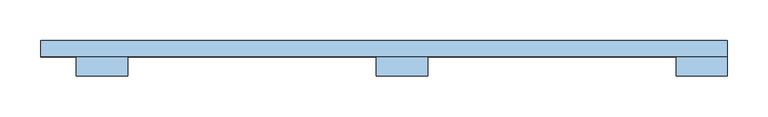
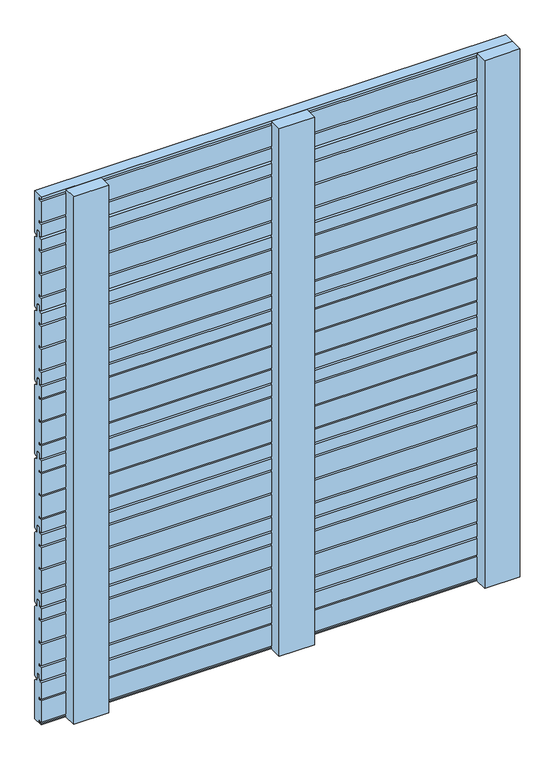
"""IFC4 building model written with IfcOpenShell, lengths in millimetres: window geometry."""

from ifc_helpers import new_model, si_unit, frame, origin, place, context, project, spatial, polyline, outline, extrude, source, transform, mapped, element, save


def window_770108d0(model_context):
    return source(origin(), model_context, "Body", "SweptSolid", [
        extrude(outline(polyline([(80.0, 183.0), (77.0, 180.0), (73.0, 180.0), (73.0, 192.0), (67.0, 192.0), (67.0, 184.0), (60.0, 184.0), (60.0, 208.25), (66.0, 208.25), (66.0, 211.75), (60.0, 211.75), (60.0, 251.8110702), (66.0, 251.8110702), (66.0, 255.3110702), (60.0, 255.3110702), (60.0, 295.3721403), (66.0, 295.3721403), (66.0, 298.8721403), (60.0, 298.8721403), (60.0, 320.0), (67.0, 320.0), (67.0, 330.0), (73.0, 330.0), (73.0, 316.0), (77.0, 316.0), (80.0, 313.0), (80.0, 183.0)])), frame((-444.0, 0.0, 0.0), z_axis=(1.0, 0.0, 0.0), x_axis=(0.0, 1.0, 0.0)), (0.0, 0.0, 1.0), 844.0),
        extrude(outline(polyline([(80.0, 323.0), (77.0, 320.0), (73.0, 320.0), (73.0, 332.0), (67.0, 332.0), (67.0, 324.0), (60.0, 324.0), (60.0, 348.25), (66.0, 348.25), (66.0, 351.75), (60.0, 351.75), (60.0, 391.8110702), (66.0, 391.8110702), (66.0, 395.3110702), (60.0, 395.3110702), (60.0, 435.3721403), (66.0, 435.3721403), (66.0, 438.8721403), (60.0, 438.8721403), (60.0, 460.0), (67.0, 460.0), (67.0, 470.0), (73.0, 470.0), (73.0, 456.0), (77.0, 456.0), (80.0, 453.0), (80.0, 323.0)])), frame((-444.0, 0.0, 0.0), z_axis=(1.0, 0.0, 0.0), x_axis=(0.0, 1.0, 0.0)), (0.0, 0.0, 1.0), 844.0),
        extrude(outline(polyline([(80.0, 463.0), (77.0, 460.0), (73.0, 460.0), (73.0, 472.0), (67.0, 472.0), (67.0, 464.0), (60.0, 464.0), (60.0, 488.25), (66.0, 488.25), (66.0, 491.75), (60.0, 491.75), (60.0, 531.8110702), (66.0, 531.8110702), (66.0, 535.3110702), (60.0, 535.3110702), (60.0, 575.3721403), (66.0, 575.3721403), (66.0, 578.8721403), (60.0, 578.8721403), (60.0, 600.0), (67.0, 600.0), (67.0, 610.0), (73.0, 610.0), (73.0, 596.0), (77.0, 596.0), (80.0, 593.0), (80.0, 463.0)])), frame((-444.0, 0.0, 0.0), z_axis=(1.0, 0.0, 0.0), x_axis=(0.0, 1.0, 0.0)), (0.0, 0.0, 1.0), 844.0),
        extrude(outline(polyline([(80.0, 603.0), (77.0, 600.0), (73.0, 600.0), (73.0, 612.0), (67.0, 612.0), (67.0, 604.0), (60.0, 604.0), (60.0, 628.25), (66.0, 628.25), (66.0, 631.75), (60.0, 631.75), (60.0, 671.8110702), (66.0, 671.8110702), (66.0, 675.3110702), (60.0, 675.3110702), (60.0, 715.3721403), (66.0, 715.3721403), (66.0, 718.8721403), (60.0, 718.8721403), (60.0, 740.0), (67.0, 740.0), (67.0, 750.0), (73.0, 750.0), (73.0, 736.0), (77.0, 736.0), (80.0, 733.0), (80.0, 603.0)])), frame((-444.0, 0.0, 0.0), z_axis=(1.0, 0.0, 0.0), x_axis=(0.0, 1.0, 0.0)), (0.0, 0.0, 1.0), 844.0),
        extrude(outline(polyline([(80.0, 743.0), (77.0, 740.0), (73.0, 740.0), (73.0, 752.0), (67.0, 752.0), (67.0, 744.0), (60.0, 744.0), (60.0, 768.25), (66.0, 768.25), (66.0, 771.75), (60.0, 771.75), (60.0, 811.8110702), (66.0, 811.8110702), (66.0, 815.3110702), (60.0, 815.3110702), (60.0, 855.3721403), (66.0, 855.3721403), (66.0, 858.8721403), (60.0, 858.8721403), (60.0, 880.0), (67.0, 880.0), (67.0, 890.0), (73.0, 890.0), (73.0, 876.0), (77.0, 876.0), (80.0, 873.0), (80.0, 743.0)])), frame((-444.0, 0.0, 0.0), z_axis=(1.0, 0.0, 0.0), x_axis=(0.0, 1.0, 0.0)), (0.0, 0.0, 1.0), 844.0),
        extrude(outline(polyline([(80.0, 883.0), (77.0, 880.0), (73.0, 880.0), (73.0, 892.0), (67.0, 892.0), (67.0, 884.0), (60.0, 884.0), (60.0, 908.25), (66.0, 908.25), (66.0, 911.75), (60.0, 911.75), (60.0, 951.8110702), (66.0, 951.8110702), (66.0, 955.3110702), (60.0, 955.3110702), (60.0, 995.3721403), (66.0, 995.3721403), (66.0, 998.8721403), (60.0, 998.8721403), (60.0, 1020.0), (67.0, 1020.0), (67.0, 1030.0), (73.0, 1030.0), (73.0, 1016.0), (77.0, 1016.0), (80.0, 1013.0), (80.0, 883.0)])), frame((-444.0, 0.0, 0.0), z_axis=(1.0, 0.0, 0.0), x_axis=(0.0, 1.0, 0.0)), (0.0, 0.0, 1.0), 844.0),
        extrude(outline(polyline([(80.0, 100.0), (60.0, 100.0), (60.0, 101.8110702), (66.0, 101.8110702), (66.0, 105.3110702), (60.0, 105.3110702), (60.0, 145.3721403), (66.0, 145.3721403), (66.0, 148.8721403), (60.0, 148.8721403), (60.0, 180.0), (67.0, 180.0), (67.0, 190.0), (73.0, 190.0), (73.0, 176.0), (77.0, 176.0), (80.0, 173.0), (80.0, 100.0)])), frame((-444.0, 0.0, 0.0), z_axis=(1.0, 0.0, 0.0), x_axis=(0.0, 1.0, 0.0)), (0.0, 0.0, 1.0), 844.0),
        extrude(outline(polyline([(80.0, 1023.0), (77.0, 1020.0), (73.0, 1020.0), (73.0, 1032.0), (67.0, 1032.0), (67.0, 1024.0), (60.0, 1024.0), (60.0, 1048.25), (66.0, 1048.25), (66.0, 1051.75), (60.0, 1051.75), (60.0, 1091.8110702), (66.0, 1091.8110702), (66.0, 1095.3110702), (60.0, 1095.3110702), (60.0, 1100.0), (80.0, 1100.0), (80.0, 1023.0)])), frame((-444.0, 0.0, 0.0), z_axis=(1.0, 0.0, 0.0), x_axis=(0.0, 1.0, 0.0)), (0.0, 0.0, 1.0), 844.0),
        extrude(outline(polyline([(-31.5, 60.1), (31.5, 60.1), (31.5, 36.1), (-31.5, 36.1), (-31.5, 60.1)])), frame((0.0, 0.0, 100.0), z_axis=(0.0, 0.0, 1.0), x_axis=(1.0, 0.0, 0.0)), (0.0, 0.0, 1.0), 1000.0),
        extrude(outline(polyline([(-400.0, 60.0), (-337.0, 60.0), (-337.0, 36.0), (-400.0, 36.0), (-400.0, 60.0)])), frame((0.0, 0.0, 100.0), z_axis=(0.0, 0.0, 1.0), x_axis=(1.0, 0.0, 0.0)), (0.0, 0.0, 1.0), 1000.0),
        extrude(outline(polyline([(337.0, 60.0), (400.0, 60.0), (400.0, 36.0), (337.0, 36.0), (337.0, 60.0)])), frame((0.0, 0.0, 100.0), z_axis=(0.0, 0.0, 1.0), x_axis=(1.0, 0.0, 0.0)), (0.0, 0.0, 1.0), 1000.0),
    ])


if __name__ == "__main__":
    model = new_model("IFC4")
    model_context = context("Model", 3, world=origin())
    ifc_project = project(units=[si_unit("LENGTHUNIT", "METRE", prefix="MILLI")], contexts=[model_context])
    site = spatial("IfcSite", under=ifc_project)
    building = spatial("IfcBuilding", under=site)
    placement = place(None, origin())
    window_shape = window_770108d0(model_context)
    element("IfcWindow", 1, at=placement, inside=building, context=model_context, shape_type="MappedRepresentation", body=[
        mapped(window_shape, transform((0.0, 0.0, 0.0), x_axis=(1.0, 0.0, 0.0), y_axis=(0.0, 1.0, 0.0), z_axis=(0.0, 0.0, 1.0))),
    ])
    save(model, "model.ifc")
